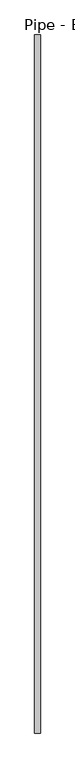
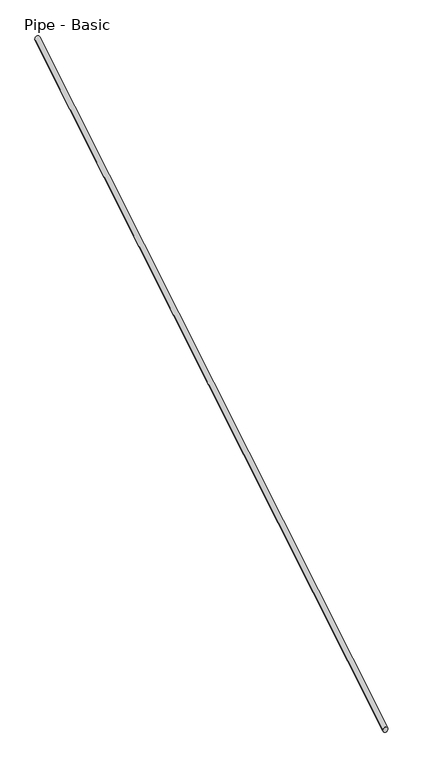
"""IFC4 building model written with IfcOpenShell, lengths in millimetres: railing geometry, Pipe - Basic."""

from ifc_helpers import new_model, si_unit, frame, origin, place, context, project, spatial, ellipse_curve, source, transform, mapped, element, save
from ifc_brep_helpers import plane_surface, cylinder_surface, advanced_brep


def pipe_basic_a0efcd52(model_context):
    return source(origin(), model_context, "Body", "AdvancedBrep", [
        advanced_brep(
        [(-338.5435211, -4316.2262737, 1061.4577857), (-300.4435211, -4316.2262737, 1061.4577857), (-338.5435211, 433.5737263, 3940.1244524), (-300.4435211, 433.5737263, 3940.1244524)],
        [
            (0, 1, ellipse_curve(frame((-319.4935211, -4316.2262737, 1061.4577857), z_axis=(0.0, -1.0, 0.0), x_axis=(0.0, 0.0, -1.0)), 22.2755476, 19.05)),
            (1, 0, ellipse_curve(frame((-319.4935211, -4316.2262737, 1061.4577857), z_axis=(0.0, -1.0, 0.0), x_axis=(0.0, 0.0, -1.0)), 22.2755476, 19.05)),
            (2, 3, ellipse_curve(frame((-319.4935211, 433.5737263, 3940.1244524), z_axis=(0.0, 1.0, 0.0), x_axis=(0.0, 0.0, -1.0)), 22.2755476, 19.05)),
            (3, 2, ellipse_curve(frame((-319.4935211, 433.5737263, 3940.1244524), z_axis=(0.0, 1.0, 0.0), x_axis=(0.0, 0.0, -1.0)), 22.2755476, 19.05)),
            (0, 2),
            (3, 1),
        ],
        [
            plane_surface(frame((-319.4935211, -4316.2262737, 1083.7333333), z_axis=(0.0, -1.0, 0.0), x_axis=(0.0, 0.0, 1.0))),
            plane_surface(frame((-319.4935211, 433.5737263, 3962.4), z_axis=(0.0, 1.0, 0.0), x_axis=(0.0, 0.0, 1.0))),
            cylinder_surface(frame((-319.4935211, -4306.352626, 1067.4418146), z_axis=(0.0, -0.8551978315540539, -0.5183017160932849), x_axis=(1.0, 0.0, 0.0)), 19.05),
        ],
        [
            (0, [[1, 2]]),
            (1, [[3, 4]]),
            (2, [[-1, 5, -4, 6]]),
            (2, [[-2, -6, -3, -5]]),
        ],
    ),
    ])


if __name__ == "__main__":
    model = new_model("IFC4")
    model_context = context("Model", 3, world=origin())
    ifc_project = project(units=[si_unit("LENGTHUNIT", "METRE", prefix="MILLI")], contexts=[model_context])
    site = spatial("IfcSite", under=ifc_project)
    building = spatial("IfcBuilding", under=site)
    placement = place(None, origin())
    pipe_basic_shape = pipe_basic_a0efcd52(model_context)
    element("IfcRailing", 1, ObjectType="Pipe - Basic", at=placement, inside=building, context=model_context, shape_type="MappedRepresentation", body=[
        mapped(pipe_basic_shape, transform((0.0, 0.0, 0.0), x_axis=(1.0, 0.0, 0.0), y_axis=(0.0, 1.0, 0.0), z_axis=(0.0, 0.0, 1.0))),
    ])
    save(model, "model.ifc")
